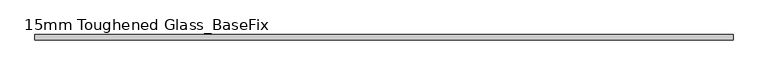
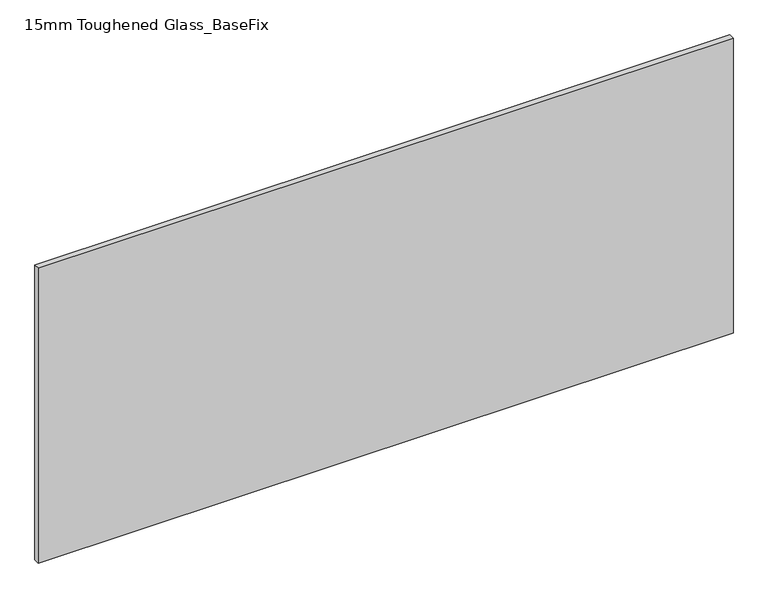
"""IFC4 building model written with IfcOpenShell, lengths in millimetres: plate geometry, 15mm Toughened Glass_BaseFix."""

from ifc_helpers import new_model, si_unit, origin, origin_with_axes, place, context, project, spatial, polyline, outline, extrude, source, transform, mapped, element, save


def plate_15mm_toughened_glass_basefix_ef55e924(model_context):
    return source(origin(), model_context, "Body", "SweptSolid", [
        extrude(outline(polyline([(945.0000001, 7.5), (945.0000001, -7.5), (-945.0000001, -7.5), (-945.0000001, 7.5), (945.0000001, 7.5)])), origin_with_axes(), (0.0, 0.0, 1.0), 849.0),
    ])


if __name__ == "__main__":
    model = new_model("IFC4")
    model_context = context("Model", 3, world=origin())
    ifc_project = project(units=[si_unit("LENGTHUNIT", "METRE", prefix="MILLI")], contexts=[model_context])
    site = spatial("IfcSite", under=ifc_project)
    building = spatial("IfcBuilding", under=site)
    placement = place(None, origin())
    plate_15mm_toughened_glass_basefix_shape = plate_15mm_toughened_glass_basefix_ef55e924(model_context)
    element("IfcPlate", 1, ObjectType="15mm Toughened Glass_BaseFix", at=placement, inside=building, context=model_context, shape_type="MappedRepresentation", body=[
        mapped(plate_15mm_toughened_glass_basefix_shape, transform((0.0, 0.0, 0.0), x_axis=(1.0, 0.0, 0.0), y_axis=(0.0, 1.0, 0.0), z_axis=(0.0, 0.0, 1.0))),
    ])
    save(model, "model.ifc")
